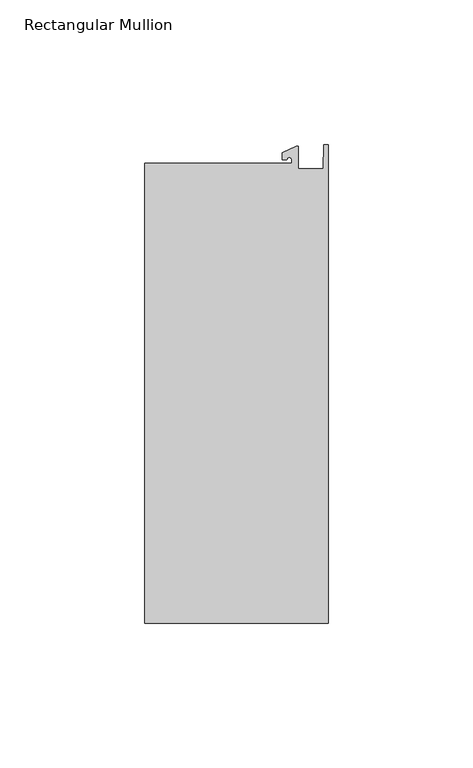
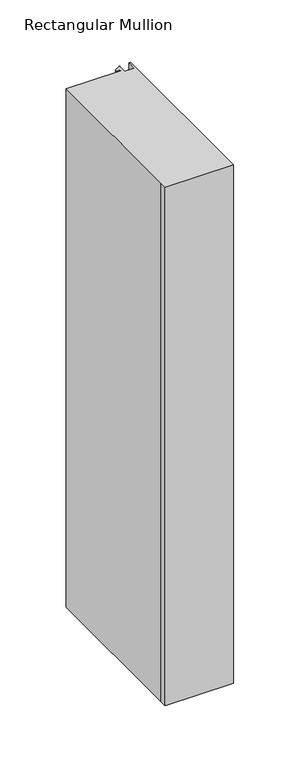
"""IFC4 building model written with IfcOpenShell, lengths in millimetres: member geometry, Rectangular Mullion."""

from ifc_helpers import new_model, si_unit, point, frame, frame_2d, origin, place, context, project, spatial, polyline, circle_curve, trimmed, segment, composite_curve, outline, extrude, source, transform, mapped, element, save


def rectangular_mullion_688b76be(model_context):
    return source(origin(), model_context, "Body", "SweptSolid", [
        extrude(outline(composite_curve([segment(polyline([(-12.6173814, 25.796875), (-12.6173814, 27.0827507)]), True, "CONTINUOUS"), segment(trimmed(circle_curve(frame_2d((-13.4111314, 27.0827507)), 0.79375), [point((-12.6173814, 27.0827507))], [point((-14.2048814, 27.0827507))], True, "CARTESIAN"), True, "CONTINUOUS"), segment(polyline([(-14.2048814, 27.0827507), (-15.7923814, 27.0827507), (-15.7923814, 29.44495), (-10.9524715, 31.7018371)]), True, "CONTINUOUS"), segment(trimmed(circle_curve(frame_2d((-10.7377814, 31.2414327)), 0.508), [point((-10.9524715, 31.7018371))], [point((-10.2297814, 31.2414327))], False, "CARTESIAN"), True, "CONTINUOUS"), segment(polyline([(-10.2297814, 31.2414327), (-10.2297814, 23.9227662), (-1.7144124, 23.9227662), (-1.5658966, 32.288874), (0.0, 32.288874), (0.0, -133.34365), (-63.5, -133.34365), (-63.5, -125.8081374), (-63.5, 25.796875), (-12.6173814, 25.796875)]), True, "CONTINUOUS")], self_intersect=False)), frame((0.0, 0.0, -508.0), z_axis=(0.0, 0.0, 1.0), x_axis=(1.0, 0.0, 0.0)), (0.0, 0.0, 1.0), 508.0),
    ])


if __name__ == "__main__":
    model = new_model("IFC4")
    model_context = context("Model", 3, world=origin())
    ifc_project = project(units=[si_unit("LENGTHUNIT", "METRE", prefix="MILLI")], contexts=[model_context])
    site = spatial("IfcSite", under=ifc_project)
    building = spatial("IfcBuilding", under=site)
    placement = place(None, origin())
    rectangular_mullion_shape = rectangular_mullion_688b76be(model_context)
    element("IfcMember", 1, ObjectType="Rectangular Mullion", at=placement, inside=building, context=model_context, shape_type="MappedRepresentation", body=[
        mapped(rectangular_mullion_shape, transform((0.0, 0.0, 0.0), x_axis=(1.0, 0.0, 0.0), y_axis=(0.0, 1.0, 0.0), z_axis=(0.0, 0.0, 1.0))),
    ])
    save(model, "model.ifc")
